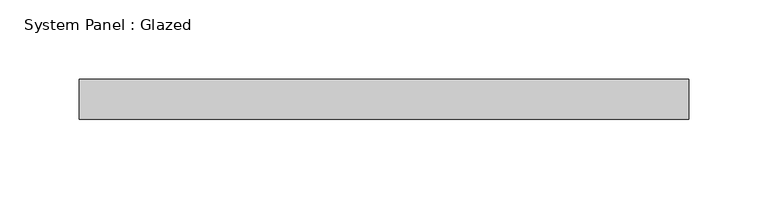
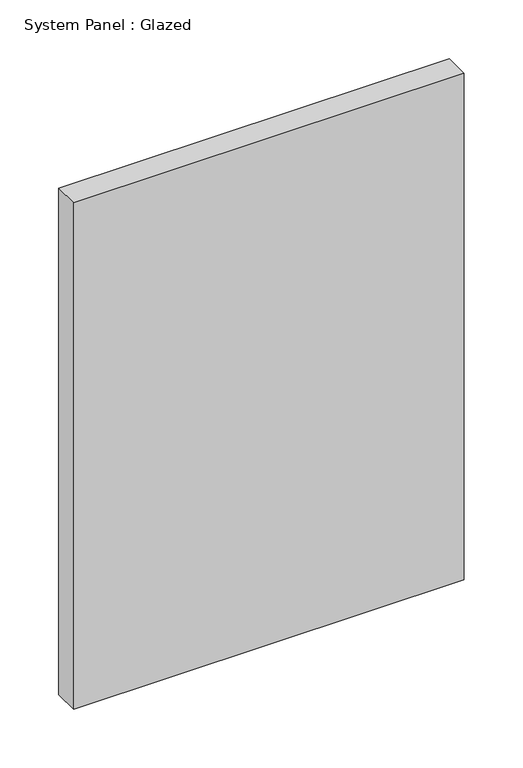
"""IFC4 building model written with IfcOpenShell, lengths in millimetres: plate geometry, System Panel : Glazed."""

import ifcopenshell
import ifcopenshell.guid

model = None  # the IFC model being written
_history = None  # IfcOwnerHistory: only IFC2X3 demands one
_inside = {}  # id of a spatial element -> (the spatial element, [elements in it])
_under = {}  # id of a project, library or spatial element -> (it, [spatial elements below it])
_declared = {}  # id of a project -> (the project, [libraries it declares])
_typed = {}  # id of a type object -> (the type object, [elements of that type])
_made_of = {}  # id of a material, layer set ... -> (it, [elements and type objects made of it])


def new_model(schema):
    """Start an empty IFC model of exactly this schema.

    Asked for "IFC4X3", IfcOpenShell would pick the latest addendum, in which some entities
    have other attributes; the version numbers below select the first issue.
    IFC2X3 requires an IfcOwnerHistory on every rooted entity: one is made here for all.
    """
    global model, _history
    if schema == "IFC4X3":
        model = ifcopenshell.file(schema_version=(4, 3, 0, 0))
    else:
        model = ifcopenshell.file(schema=schema)
    _inside.clear()
    _under.clear()
    _declared.clear()
    _typed.clear()
    _made_of.clear()
    _history = None
    if model.schema == "IFC2X3":
        org = make("IfcOrganization", Name="unknown")
        user = make(
            "IfcPersonAndOrganization",
            ThePerson=make("IfcPerson", FamilyName="unknown"),
            TheOrganization=org,
        )
        app = make(
            "IfcApplication",
            ApplicationDeveloper=org,
            Version="unknown",
            ApplicationFullName="unknown",
            ApplicationIdentifier="unknown",
        )
        _history = make(
            "IfcOwnerHistory",
            OwningUser=user,
            OwningApplication=app,
            ChangeAction="ADDED",
            CreationDate=0,
        )
    return model


def make(cls, **values):
    """One entity of the class cls with the attributes given. An attribute that is None is left unset."""
    return model.create_entity(
        cls, **{name: value for name, value in values.items() if value is not None}
    )


def rooted(cls, **values):
    """An entity with a GlobalId (a new one), such as an element, a storey or a relation."""
    return make(cls, GlobalId=ifcopenshell.guid.new(), OwnerHistory=_history, **values)


def si_unit(unit_type, name, prefix=None):
    """IfcSIUnit, for example si_unit("LENGTHUNIT", "METRE", prefix="MILLI")."""
    return make("IfcSIUnit", UnitType=unit_type, Prefix=prefix, Name=name)


def assignment(units):
    """IfcUnitAssignment: the units of a project."""
    return None if units is None else make("IfcUnitAssignment", Units=units)


def point(xyz):
    """IfcCartesianPoint."""
    return None if xyz is None else make("IfcCartesianPoint", Coordinates=xyz)


def direction(xyz):
    """IfcDirection."""
    return None if xyz is None else make("IfcDirection", DirectionRatios=xyz)


def frame(location, z_axis=None, x_axis=None):
    """IfcAxis2Placement3D, a coordinate frame: its origin and axes. An axis left out is left unset."""
    return make(
        "IfcAxis2Placement3D",
        Location=point(location),
        Axis=direction(z_axis),
        RefDirection=direction(x_axis),
    )


def origin():
    """The frame at (0, 0, 0) with its axes left unset."""
    return frame((0.0, 0.0, 0.0))


def origin_with_axes():
    """The frame at (0, 0, 0) with the z axis (0, 0, 1) and the x axis (1, 0, 0) written out."""
    return frame((0.0, 0.0, 0.0), z_axis=(0.0, 0.0, 1.0), x_axis=(1.0, 0.0, 0.0))


def place(relative_to, where):
    """IfcLocalPlacement: puts the frame where relative to a parent placement (None: the world)."""
    return make(
        "IfcLocalPlacement", PlacementRelTo=relative_to, RelativePlacement=where
    )


def context(
    kind, dimensions, precision=None, world=None, true_north=None, identifier=None
):
    """IfcGeometricRepresentationContext, for example the 3D "Model" context."""
    return make(
        "IfcGeometricRepresentationContext",
        ContextIdentifier=identifier,
        ContextType=kind,
        CoordinateSpaceDimension=dimensions,
        Precision=precision,
        WorldCoordinateSystem=world,
        TrueNorth=true_north,
    )


def project(units=None, contexts=None):
    """IfcProject with its units and contexts."""
    return rooted(
        "IfcProject",
        Name="project",
        RepresentationContexts=contexts,
        UnitsInContext=assignment(units),
    )


def spatial(cls, under=None, at=None, **own):
    """A site, building, storey or space (cls), placed at a placement, below another one or the project."""
    s = rooted(cls, ObjectPlacement=at, **own)
    if under is not None:
        _under.setdefault(under.id(), (under, []))[1].append(s)
    return s


def polyline(points):
    """IfcPolyline through the points."""
    return make("IfcPolyline", Points=[point(p) for p in points])


def outline(outer, holes=None, kind="AREA"):
    """IfcArbitraryClosedProfileDef: a profile drawn as a closed curve; with holes, ...WithVoids."""
    if holes is None:
        return make("IfcArbitraryClosedProfileDef", ProfileType=kind, OuterCurve=outer)
    return make(
        "IfcArbitraryProfileDefWithVoids",
        ProfileType=kind,
        OuterCurve=outer,
        InnerCurves=holes,
    )


def extrude(swept, where, along, depth):
    """IfcExtrudedAreaSolid: the profile swept, set in the frame where, extruded along a direction by depth."""
    return make(
        "IfcExtrudedAreaSolid",
        SweptArea=swept,
        Position=where,
        ExtrudedDirection=direction(along),
        Depth=depth,
    )


def shape(context_of_items, identifier, shape_type, items):
    """IfcShapeRepresentation: the items that make up one representation, for example the "Body"."""
    return make(
        "IfcShapeRepresentation",
        ContextOfItems=context_of_items,
        RepresentationIdentifier=identifier,
        RepresentationType=shape_type,
        Items=items,
    )


def source(mapping_origin, context_of_items, identifier, shape_type, items):
    """IfcRepresentationMap: a shape defined once, which mapped items show again and again."""
    return make(
        "IfcRepresentationMap",
        MappingOrigin=mapping_origin,
        MappedRepresentation=shape(context_of_items, identifier, shape_type, items),
    )


def transform(
    local_origin,
    x_axis=None,
    y_axis=None,
    z_axis=None,
    scale=None,
    scale2=None,
    scale3=None,
    uniform=True,
):
    """IfcCartesianTransformationOperator3D, or its non-uniform kind. x_axis, y_axis, z_axis: its Axis1, 2, 3."""
    if uniform:
        return make(
            "IfcCartesianTransformationOperator3D",
            Axis1=direction(x_axis),
            Axis2=direction(y_axis),
            LocalOrigin=point(local_origin),
            Scale=scale,
            Axis3=direction(z_axis),
        )
    return make(
        "IfcCartesianTransformationOperator3DnonUniform",
        Axis1=direction(x_axis),
        Axis2=direction(y_axis),
        LocalOrigin=point(local_origin),
        Scale=scale,
        Axis3=direction(z_axis),
        Scale2=scale2,
        Scale3=scale3,
    )


def mapped(mapping_source, mapping_target):
    """IfcMappedItem: shows the shape of a source again, moved by a transform."""
    return make(
        "IfcMappedItem", MappingSource=mapping_source, MappingTarget=mapping_target
    )


def made_of(thing, what):
    """Note that an element or type object is made of a material, layer set ...; save() writes the relation."""
    if what is not None:
        _made_of.setdefault(what.id(), (what, []))[1].append(thing)
    return thing


def element(
    cls,
    number,
    at=None,
    inside=None,
    cuts=None,
    type_object=None,
    material=None,
    context=None,
    identifier="Body",
    shape_type=None,
    held_by="IfcProductDefinitionShape",
    body=None,
    shapes=None,
    **own,
):
    """One element of the class cls, such as IfcWall. Its Tag is "e" and its number.

    at: its placement. inside: the storey or other place that contains it. cuts: it is an
    opening in that element (IfcRelVoidsElement). A single representation is given by context,
    identifier, shape_type and body (its items); several are given by shapes. held_by: the class
    of the entity that holds the representations. save() writes the other relations.
    """
    e = rooted(cls, Tag="e%d" % number, ObjectPlacement=at, **own)
    if body is not None:
        shapes = [shape(context, identifier, shape_type, body)]
    if shapes is not None:
        e.Representation = make(held_by, Representations=shapes)
    if inside is not None:
        _inside.setdefault(inside.id(), (inside, []))[1].append(e)
    if cuts is not None:
        rooted(
            "IfcRelVoidsElement", RelatingBuildingElement=cuts, RelatedOpeningElement=e
        )
    if type_object is not None:
        _typed.setdefault(type_object.id(), (type_object, []))[1].append(e)
    return made_of(e, material)


def aggregate(whole, parts):
    """IfcRelAggregates: a whole, such as a stair, and the parts it consists of."""
    return rooted("IfcRelAggregates", RelatingObject=whole, RelatedObjects=parts)


def save(model, path):
    """Write the relations noted so far, then the file.

    IfcRelAggregates (storeys below a building ...), IfcRelContainedInSpatialStructure (elements
    in a storey), IfcRelDefinesByType, IfcRelAssociatesMaterial and IfcRelDeclares: one each for
    every whole, place, type object, material and project.
    """
    for whole, parts in _under.values():
        aggregate(whole, parts)
    for where, things in _inside.values():
        rooted(
            "IfcRelContainedInSpatialStructure",
            RelatedElements=things,
            RelatingStructure=where,
        )
    for kind, things in _typed.values():
        rooted("IfcRelDefinesByType", RelatedObjects=things, RelatingType=kind)
    for what, things in _made_of.values():
        rooted("IfcRelAssociatesMaterial", RelatedObjects=things, RelatingMaterial=what)
    for by, libraries in _declared.values():
        rooted("IfcRelDeclares", RelatingContext=by, RelatedDefinitions=libraries)
    model.write(path)


def system_panel_glazed_def52aa3(model_context):
    return source(origin(), model_context, "Body", "SweptSolid", [
        extrude(outline(polyline([(191.738741, -49.5), (-191.738741, -49.5), (-191.738741, -24.5), (191.738741, -24.5), (191.738741, -49.5)])), origin_with_axes(), (0.0, 0.0, 1.0), 525.0),
    ])


if __name__ == "__main__":
    model = new_model("IFC4")
    model_context = context("Model", 3, world=origin())
    ifc_project = project(units=[si_unit("LENGTHUNIT", "METRE", prefix="MILLI")], contexts=[model_context])
    site = spatial("IfcSite", under=ifc_project)
    building = spatial("IfcBuilding", under=site)
    placement = place(None, origin())
    system_panel_glazed_shape = system_panel_glazed_def52aa3(model_context)
    element("IfcPlate", 1, ObjectType="System Panel : Glazed", at=placement, inside=building, context=model_context, shape_type="MappedRepresentation", body=[
        mapped(system_panel_glazed_shape, transform((0.0, 0.0, 0.0), x_axis=(1.0, 0.0, 0.0), y_axis=(0.0, 1.0, 0.0), z_axis=(0.0, 0.0, 1.0))),
    ])
    save(model, "model.ifc")
